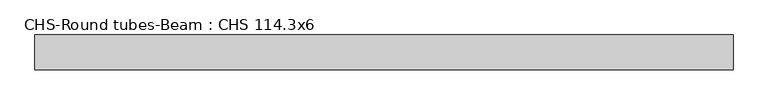
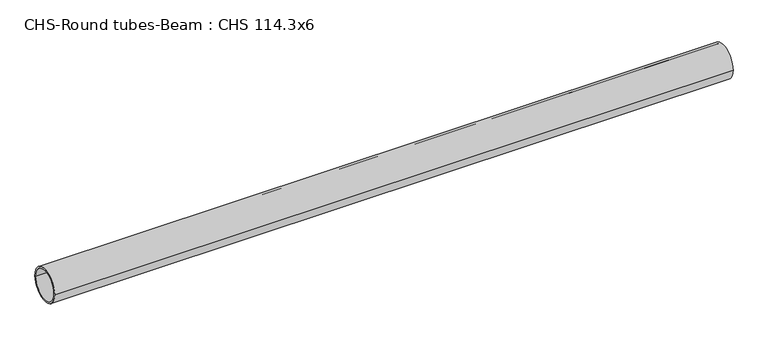
"""IFC4 building model written with IfcOpenShell, lengths in millimetres: beam geometry, CHS-Round tubes-Beam : CHS 114.3x6."""

from ifc_helpers import new_model, si_unit, point, frame, origin, origin_2d, place, context, project, spatial, circle_curve, trimmed, segment, composite_curve, outline, extrude, source, transform, mapped, element, save


def chs_round_tubes_beam_chs_114_3x6_deff0dce(model_context):
    return source(origin(), model_context, "Body", "SweptSolid", [
        extrude(outline(composite_curve([segment(trimmed(circle_curve(origin_2d(), 57.15), [point((57.15, 0.0))], [point((-57.15, 0.0))], False, "CARTESIAN"), True, "CONTINUOUS"), segment(trimmed(circle_curve(origin_2d(), 57.15), [point((-57.15, 0.0))], [point((57.15, 0.0))], False, "CARTESIAN"), True, "CONTINUOUS")], self_intersect=False), holes=[composite_curve([segment(trimmed(circle_curve(origin_2d(), 51.15), [point((51.15, 0.0))], [point((-51.15, 0.0))], True, "CARTESIAN"), True, "CONTINUOUS"), segment(trimmed(circle_curve(origin_2d(), 51.15), [point((-51.15, 0.0))], [point((51.15, 0.0))], True, "CARTESIAN"), True, "CONTINUOUS")], self_intersect=False)]), frame((-1092.4746841, 0.0, 0.0), z_axis=(1.0, 0.0, 0.0), x_axis=(0.0, 1.0, 0.0)), (0.0, 0.0, 1.0), 2285.0832001),
    ])


if __name__ == "__main__":
    model = new_model("IFC4")
    model_context = context("Model", 3, world=origin())
    ifc_project = project(units=[si_unit("LENGTHUNIT", "METRE", prefix="MILLI")], contexts=[model_context])
    site = spatial("IfcSite", under=ifc_project)
    building = spatial("IfcBuilding", under=site)
    placement = place(None, origin())
    chs_round_tubes_beam_chs_114_3x6_shape = chs_round_tubes_beam_chs_114_3x6_deff0dce(model_context)
    element("IfcBeam", 1, ObjectType="CHS-Round tubes-Beam : CHS 114.3x6", at=placement, inside=building, context=model_context, shape_type="MappedRepresentation", body=[
        mapped(chs_round_tubes_beam_chs_114_3x6_shape, transform((0.0, 0.0, 0.0), x_axis=(1.0, 0.0, 0.0), y_axis=(0.0, 1.0, 0.0), z_axis=(0.0, 0.0, 1.0))),
    ])
    save(model, "model.ifc")
